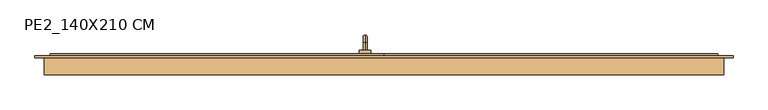
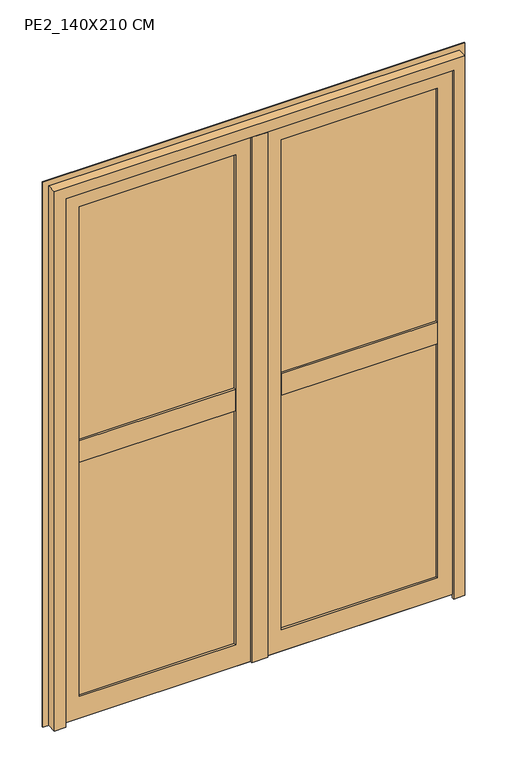
"""IFC4 building model written with IfcOpenShell, lengths in millimetres: door geometry, PE2_140X210 CM."""

from ifc_helpers import new_model, si_unit, point, frame, origin, place, context, project, spatial, polyline, circle_curve, ellipse_curve, trimmed, outline, extrude, faceted_brep, source, transform, mapped, element, save
from ifc_brep_helpers import plane_surface, cylinder_surface, revolved_surface, advanced_brep


def pe2_140x210_cm_47ec5a5a(model_context):
    return source(origin(), model_context, "Body", "SolidModel", [
        advanced_brep(
        [(-50.0, 169.0, 905.0), (-50.0, 188.0, 905.0), (-50.0, 188.0, 895.0), (-50.0, 169.0, 895.0), (-50.0, 209.0, 884.0), (-50.0, 199.0, 884.0), (-50.0, 209.0, 805.0), (-50.0, 199.0, 805.0), (-65.0, 169.0, 930.0), (-35.0, 169.0, 930.0), (-35.0, 169.0, 870.0), (-65.0, 169.0, 870.0), (-65.0, 159.0, 930.0), (-65.0, 159.0, 870.0), (-35.0, 159.0, 870.0), (-35.0, 159.0, 930.0)],
        [
            (0, 1),
            (1, 2, circle_curve(frame((-50.0, 188.0, 900.0), z_axis=(0.0, -1.0, 0.0), x_axis=(0.0, 0.0, -1.0)), 5.0)),
            (2, 3),
            (3, 0, circle_curve(frame((-50.0, 169.0, 900.0), z_axis=(0.0, 1.0, 0.0), x_axis=(0.0, 0.0, -1.0)), 5.0)),
            (0, 3, circle_curve(frame((-50.0, 169.0, 900.0), z_axis=(0.0, 1.0, 0.0), x_axis=(0.0, 0.0, -1.0)), 5.0)),
            (2, 1, circle_curve(frame((-50.0, 188.0, 900.0), z_axis=(0.0, -1.0, 0.0), x_axis=(0.0, 0.0, -1.0)), 5.0)),
            (1, 4, circle_curve(frame((-50.0, 188.0, 884.0), z_axis=(-1.0, 0.0, 0.0), x_axis=(0.0, 0.0, 1.0)), 21.0)),
            (4, 5, circle_curve(frame((-50.0, 204.0, 884.0), z_axis=(0.0, 0.0, 1.0), x_axis=(0.0, -1.0, 0.0)), 5.0)),
            (5, 2, circle_curve(frame((-50.0, 188.0, 884.0), z_axis=(1.0, 0.0, 0.0), x_axis=(0.0, 0.0, 1.0)), 11.0)),
            (5, 4, circle_curve(frame((-50.0, 204.0, 884.0), z_axis=(0.0, 0.0, 1.0), x_axis=(0.0, -1.0, 0.0)), 5.0)),
            (6, 7, circle_curve(frame((-50.0, 204.0, 805.0), z_axis=(0.0, 0.0, -1.0), x_axis=(0.0, -1.0, 0.0)), 5.0)),
            (7, 6, circle_curve(frame((-50.0, 204.0, 805.0), z_axis=(0.0, 0.0, -1.0), x_axis=(0.0, -1.0, 0.0)), 5.0)),
            (4, 6),
            (7, 5),
            (8, 9),
            (9, 10),
            (10, 11),
            (11, 8),
            (12, 13),
            (13, 14),
            (14, 15),
            (15, 12),
            (8, 12),
            (15, 9),
            (14, 10),
            (13, 11),
        ],
        [
            cylinder_surface(frame((-50.0, 169.0, 900.0), z_axis=(0.0, -1.0, 0.0), x_axis=(0.0, 0.0, -1.0)), 5.0),
            revolved_surface(trimmed(ellipse_curve(frame((-50.0, 188.0, 900.0), z_axis=(0.0, -1.0, 0.0), x_axis=(0.0, 0.0, -1.0)), 5.0, 5.0), [point((-50.0, 188.0, 905.0))], [point((-50.0, 188.0, 895.0))], True, "CARTESIAN"), (-50.0, 188.0, 884.0), (-1.0, 0.0, 0.0)),
            revolved_surface(trimmed(ellipse_curve(frame((-50.0, 188.0, 900.0), z_axis=(0.0, -1.0, 0.0), x_axis=(0.0, 0.0, -1.0)), 5.0, 5.0), [point((-50.0, 188.0, 895.0))], [point((-50.0, 188.0, 905.0))], True, "CARTESIAN"), (-50.0, 188.0, 884.0), (-1.0, 0.0, 0.0)),
            plane_surface(frame((-50.0, 204.0, 805.0), z_axis=(0.0, 0.0, -1.0), x_axis=(-1.0, 0.0, 0.0))),
            cylinder_surface(frame((-50.0, 204.0, 884.0), z_axis=(0.0, 0.0, 1.0), x_axis=(0.0, -1.0, 0.0)), 5.0),
            plane_surface(frame((-35.0, 169.0, 930.0), z_axis=(0.0, 1.0, 0.0), x_axis=(1.0, 0.0, 0.0))),
            plane_surface(frame((-35.0, 159.0, 930.0), z_axis=(0.0, -1.0, 0.0), x_axis=(-1.0, 0.0, 0.0))),
            plane_surface(frame((-65.0, 169.0, 930.0), z_axis=(0.0, 0.0, 1.0), x_axis=(0.0, -1.0, 0.0))),
            plane_surface(frame((-35.0, 169.0, 930.0), z_axis=(1.0, 0.0, 0.0), x_axis=(0.0, -1.0, 0.0))),
            plane_surface(frame((-35.0, 169.0, 870.0), z_axis=(0.0, 0.0, -1.0), x_axis=(0.0, -1.0, 0.0))),
            plane_surface(frame((-65.0, 169.0, 870.0), z_axis=(-1.0, 0.0, 0.0), x_axis=(0.0, -1.0, 0.0))),
        ],
        [
            (0, [[1, 2, 3, 4]]),
            (0, [[-1, 5, -3, 6]]),
            (1, [[-2, 7, 8, 9]]),
            (2, [[-6, -9, 10, -7]]),
            (3, [[11, 12]]),
            (4, [[-8, 13, -12, 14]]),
            (4, [[-10, -14, -11, -13]]),
            (5, [[15, 16, 17, 18], [-4, -5]]),
            (6, [[19, 20, 21, 22]]),
            (7, [[-15, 23, -22, 24]]),
            (8, [[-16, -24, -21, 25]]),
            (9, [[-17, -25, -20, 26]]),
            (10, [[-18, -26, -19, -23]]),
        ],
    ),
        extrude(outline(polyline([(149.0, 22.0), (149.0, 7.0), (144.0, 7.0), (144.0, 12.0), (129.0, 12.0), (129.0, 7.0), (124.0, 7.0), (124.0, 22.0), (149.0, 22.0)])), frame((0.0, 0.0, 0.0), z_axis=(1.0, 0.0, 0.0), x_axis=(0.0, 1.0, 0.0)), (0.0, 0.0, 1.0), 885.0),
        extrude(outline(polyline([(149.0, 22.0), (149.0, 7.0), (144.0, 7.0), (144.0, 12.0), (129.0, 12.0), (129.0, 7.0), (124.0, 7.0), (124.0, 22.0), (149.0, 22.0)])), frame((-885.0, 0.0, 0.0), z_axis=(1.0, 0.0, 0.0), x_axis=(0.0, 1.0, 0.0)), (0.0, 0.0, 1.0), 885.0),
        faceted_brep([(0.0, 114.0, 40.0), (0.0, 124.0, 40.0), (0.0, 124.0, 15.0), (0.0, 114.0, 15.0), (885.0, 114.0, 40.0), (885.0, 114.0, 15.0), (885.0, 124.0, 15.0), (885.0, 124.0, 40.0), (25.0, 114.0, 40.0), (25.0, 124.0, 40.0), (860.0, 124.0, 40.0), (860.0, 114.0, 40.0), (860.0, 114.0, 2460.0), (25.0, 114.0, 2460.0), (100.0, 114.0, 2385.0), (785.0, 114.0, 2385.0), (785.0, 114.0, 115.0), (100.0, 114.0, 115.0), (885.0, 149.0, 2485.0), (885.0, 159.0, 2485.0), (0.0, 159.0, 2485.0), (0.0, 149.0, 2485.0), (810.0, 159.0, 2410.0), (810.0, 124.0, 2410.0), (75.0, 124.0, 2410.0), (75.0, 159.0, 2410.0), (785.0, 124.0, 2385.0), (100.0, 124.0, 2385.0), (860.0, 149.0, 2460.0), (25.0, 149.0, 2460.0), (0.0, 159.0, 15.0), (0.0, 149.0, 15.0), (75.0, 124.0, 90.0), (75.0, 159.0, 90.0), (100.0, 124.0, 115.0), (25.0, 149.0, 40.0), (885.0, 159.0, 15.0), (885.0, 149.0, 15.0), (810.0, 124.0, 90.0), (810.0, 159.0, 90.0), (785.0, 124.0, 115.0), (860.0, 149.0, 40.0)], [[[0, 1, 2, 3]], [[4, 5, 6, 7]], [[1, 0, 8, 9]], [[4, 7, 10, 11]], [[2, 1, 9, 10, 7, 6]], [[3, 2, 6, 5]], [[0, 3, 5, 4, 11, 12, 13, 8], [14, 15, 16, 17]], [[18, 19, 20, 21]], [[22, 23, 24, 25]], [[26, 15, 14, 27]], [[12, 28, 29, 13]], [[21, 20, 30, 31]], [[25, 24, 32, 33]], [[27, 14, 17, 34]], [[13, 29, 35, 9, 8]], [[31, 30, 36, 37]], [[33, 32, 38, 39]], [[34, 17, 16, 40]], [[35, 41, 10, 9]], [[19, 18, 37, 36]], [[20, 19, 36, 30], [22, 25, 33, 39]], [[23, 22, 39, 38]], [[24, 23, 38, 32], [26, 27, 34, 40]], [[15, 26, 40, 16]], [[28, 12, 11, 10, 41]], [[18, 21, 31, 37], [29, 28, 41, 35]]]),
        faceted_brep([(-885.0, 159.0, 2485.0), (-885.0, 149.0, 2485.0), (0.0, 149.0, 2485.0), (0.0, 159.0, 2485.0), (-810.0, 124.0, 2410.0), (-810.0, 159.0, 2410.0), (-75.0, 159.0, 2410.0), (-75.0, 124.0, 2410.0), (-785.0, 114.0, 2385.0), (-785.0, 124.0, 2385.0), (-100.0, 124.0, 2385.0), (-100.0, 114.0, 2385.0), (-860.0, 149.0, 2460.0), (-860.0, 114.0, 2460.0), (-25.0, 114.0, 2460.0), (-25.0, 149.0, 2460.0), (0.0, 149.0, 15.0), (0.0, 159.0, 15.0), (-75.0, 159.0, 90.0), (-75.0, 124.0, 90.0), (-100.0, 124.0, 115.0), (-100.0, 114.0, 115.0), (-25.0, 114.0, 40.0), (-25.0, 124.0, 40.0), (-25.0, 149.0, 40.0), (-885.0, 149.0, 15.0), (-885.0, 159.0, 15.0), (-810.0, 159.0, 90.0), (-810.0, 124.0, 90.0), (-785.0, 124.0, 115.0), (-785.0, 114.0, 115.0), (-860.0, 149.0, 40.0), (-860.0, 124.0, 40.0), (-860.0, 114.0, 40.0), (-885.0, 114.0, 40.0), (-885.0, 114.0, 15.0), (0.0, 114.0, 15.0), (0.0, 114.0, 40.0), (0.0, 124.0, 15.0), (0.0, 124.0, 40.0), (-885.0, 124.0, 40.0), (-885.0, 124.0, 15.0)], [[[0, 1, 2, 3]], [[4, 5, 6, 7]], [[8, 9, 10, 11]], [[12, 13, 14, 15]], [[3, 2, 16, 17]], [[7, 6, 18, 19]], [[11, 10, 20, 21]], [[15, 14, 22, 23, 24]], [[17, 16, 25, 26]], [[19, 18, 27, 28]], [[21, 20, 29, 30]], [[31, 24, 23, 32]], [[1, 0, 26, 25]], [[0, 3, 17, 26], [6, 5, 27, 18]], [[5, 4, 28, 27]], [[4, 7, 19, 28], [10, 9, 29, 20]], [[9, 8, 30, 29]], [[14, 13, 33, 34, 35, 36, 37, 22], [8, 11, 21, 30]], [[13, 12, 31, 32, 33]], [[2, 1, 25, 16], [12, 15, 24, 31]], [[37, 36, 38, 39]], [[34, 40, 41, 35]], [[37, 39, 23, 22]], [[40, 34, 33, 32]], [[39, 38, 41, 40, 32, 23]], [[38, 36, 35, 41]]]),
        extrude(outline(polyline([(85.0, 124.0), (85.0, 138.0), (800.0, 138.0), (800.0, 124.0), (85.0, 124.0)])), frame((0.0, 0.0, 1285.0), z_axis=(0.0, 0.0, 1.0), x_axis=(1.0, 0.0, 0.0)), (0.0, 0.0, 1.0), 1115.0),
        extrude(outline(polyline([(85.0, 124.0), (85.0, 138.0), (800.0, 138.0), (800.0, 124.0), (85.0, 124.0)])), frame((0.0, 0.0, 100.0), z_axis=(0.0, 0.0, 1.0), x_axis=(1.0, 0.0, 0.0)), (0.0, 0.0, 1.0), 1115.0),
        extrude(outline(polyline([(-800.0, 124.0), (-800.0, 138.0), (-85.0, 138.0), (-85.0, 124.0), (-800.0, 124.0)])), frame((0.0, 0.0, 1285.0), z_axis=(0.0, 0.0, 1.0), x_axis=(1.0, 0.0, 0.0)), (0.0, 0.0, 1.0), 1115.0),
        extrude(outline(polyline([(-800.0, 124.0), (-800.0, 138.0), (-85.0, 138.0), (-85.0, 124.0), (-800.0, 124.0)])), frame((0.0, 0.0, 100.0), z_axis=(0.0, 0.0, 1.0), x_axis=(1.0, 0.0, 0.0)), (0.0, 0.0, 1.0), 1115.0),
        extrude(outline(polyline([(124.0, 1225.0), (124.0, 1200.0), (114.0, 1200.0), (114.0, 1300.0), (124.0, 1300.0), (124.0, 1275.0), (159.0, 1275.0), (159.0, 1225.0), (124.0, 1225.0)])), frame((100.0, 0.0, 0.0), z_axis=(1.0, 0.0, 0.0), x_axis=(0.0, 1.0, 0.0)), (0.0, 0.0, 1.0), 685.0),
        extrude(outline(polyline([(124.0, 1275.0), (159.0, 1275.0), (159.0, 1225.0), (124.0, 1225.0), (124.0, 1200.0), (114.0, 1200.0), (114.0, 1300.0), (124.0, 1300.0), (124.0, 1275.0)])), frame((-785.0, 0.0, 0.0), z_axis=(1.0, 0.0, 0.0), x_axis=(0.0, 1.0, 0.0)), (0.0, 0.0, 1.0), 685.0),
        extrude(outline(polyline([(-785.0, 138.0), (-785.0, 159.0), (-100.0, 159.0), (-100.0, 138.0), (-785.0, 138.0)])), frame((0.0, 0.0, 1275.0), z_axis=(0.0, 0.0, 1.0), x_axis=(1.0, 0.0, 0.0)), (0.0, 0.0, 1.0), 25.0),
        extrude(outline(polyline([(-785.0, 138.0), (-785.0, 159.0), (-100.0, 159.0), (-100.0, 138.0), (-785.0, 138.0)])), frame((0.0, 0.0, 1200.0), z_axis=(0.0, 0.0, 1.0), x_axis=(1.0, 0.0, 0.0)), (0.0, 0.0, 1.0), 25.0),
        extrude(outline(polyline([(100.0, 138.0), (100.0, 159.0), (785.0, 159.0), (785.0, 138.0), (100.0, 138.0)])), frame((0.0, 0.0, 1275.0), z_axis=(0.0, 0.0, 1.0), x_axis=(1.0, 0.0, 0.0)), (0.0, 0.0, 1.0), 25.0),
        extrude(outline(polyline([(100.0, 138.0), (100.0, 159.0), (785.0, 159.0), (785.0, 138.0), (100.0, 138.0)])), frame((0.0, 0.0, 1200.0), z_axis=(0.0, 0.0, 1.0), x_axis=(1.0, 0.0, 0.0)), (0.0, 0.0, 1.0), 25.0),
        extrude(outline(polyline([(2410.0, 75.0), (90.0, 75.0), (90.0, 810.0), (2410.0, 810.0), (2410.0, 75.0)]), holes=[polyline([(2385.0, 785.0), (115.0, 785.0), (115.0, 100.0), (2385.0, 100.0), (2385.0, 785.0)])]), frame((0.0, 138.0, 0.0), z_axis=(0.0, 1.0, 0.0), x_axis=(0.0, 0.0, 1.0)), (0.0, 0.0, 1.0), 21.0),
        faceted_brep([(25.0, 149.0, 2485.0), (-10.0, 149.0, 2485.0), (-10.0, 114.0, 2485.0), (25.0, 114.0, 2485.0), (25.0, 149.0, 15.0), (-10.0, 149.0, 15.0), (-10.0, 114.0, 15.0), (-10.0, 114.0, 2450.0), (25.0, 114.0, 2450.0), (25.0, 114.0, 15.0), (35.0, 104.0, 2450.0), (35.0, 114.0, 2450.0), (-35.0, 114.0, 2450.0), (-35.0, 104.0, 2450.0), (35.0, 104.0, 15.0), (-35.0, 104.0, 15.0), (-35.0, 114.0, 15.0), (35.0, 114.0, 15.0)], [[[0, 1, 2, 3]], [[1, 0, 4, 5]], [[2, 1, 5, 6, 7]], [[3, 2, 7, 8]], [[4, 0, 3, 8, 9]], [[10, 11, 8, 7, 12, 13]], [[14, 15, 16, 6, 5, 4, 9, 17]], [[11, 10, 14, 17]], [[8, 11, 17, 9]], [[12, 7, 6, 16]], [[13, 12, 16, 15]], [[10, 13, 15, 14]]]),
        extrude(outline(polyline([(2410.0, -810.0), (90.0, -810.0), (90.0, -75.0), (2410.0, -75.0), (2410.0, -810.0)]), holes=[polyline([(2385.0, -100.0), (115.0, -100.0), (115.0, -785.0), (2385.0, -785.0), (2385.0, -100.0)])]), frame((0.0, 138.0, 0.0), z_axis=(0.0, 1.0, 0.0), x_axis=(0.0, 0.0, 1.0)), (0.0, 0.0, 1.0), 21.0),
        faceted_brep([(-900.0, 104.0, 0.0), (-900.0, 149.0, 0.0), (-875.0, 149.0, 0.0), (-875.0, 114.0, 0.0), (-850.0, 114.0, 0.0), (-850.0, 104.0, 0.0), (-900.0, 149.0, 2500.0), (-900.0, 104.0, 2500.0), (900.0, 104.0, 2500.0), (900.0, 149.0, 2500.0), (-875.0, 114.0, 2475.0), (-875.0, 149.0, 2475.0), (875.0, 149.0, 2475.0), (875.0, 114.0, 2475.0), (-850.0, 104.0, 2450.0), (-850.0, 114.0, 2450.0), (850.0, 114.0, 2450.0), (850.0, 104.0, 2450.0), (900.0, 104.0, 0.0), (900.0, 149.0, 0.0), (875.0, 149.0, 0.0), (875.0, 114.0, 0.0), (850.0, 114.0, 0.0), (850.0, 104.0, 0.0)], [[[0, 1, 2, 3, 4, 5]], [[6, 7, 8, 9]], [[10, 11, 12, 13]], [[14, 15, 16, 17]], [[9, 8, 18, 19]], [[13, 12, 20, 21]], [[17, 16, 22, 23]], [[18, 23, 22, 21, 20, 19]], [[1, 0, 7, 6]], [[2, 1, 6, 9, 19, 20, 12, 11]], [[3, 2, 11, 10]], [[4, 3, 10, 13, 21, 22, 16, 15]], [[5, 4, 15, 14]], [[0, 5, 14, 17, 23, 18, 8, 7]]]),
        extrude(outline(polyline([(0.0, -925.0), (0.0, -890.0), (2490.0, -890.0), (2490.0, 890.0), (0.0, 890.0), (0.0, 925.0), (2525.0, 925.0), (2525.0, -925.0), (0.0, -925.0)])), frame((0.0, 149.0, 0.0), z_axis=(0.0, 1.0, 0.0), x_axis=(0.0, 0.0, 1.0)), (0.0, 0.0, 1.0), 5.0),
    ])


if __name__ == "__main__":
    model = new_model("IFC4")
    model_context = context("Model", 3, world=origin())
    ifc_project = project(units=[si_unit("LENGTHUNIT", "METRE", prefix="MILLI")], contexts=[model_context])
    site = spatial("IfcSite", under=ifc_project)
    building = spatial("IfcBuilding", under=site)
    placement = place(None, origin())
    pe2_140x210_cm_shape = pe2_140x210_cm_47ec5a5a(model_context)
    element("IfcDoor", 1, ObjectType="PE2_140X210 CM", at=placement, inside=building, context=model_context, shape_type="MappedRepresentation", body=[
        mapped(pe2_140x210_cm_shape, transform((0.0, 0.0, 0.0), x_axis=(1.0, 0.0, 0.0), y_axis=(0.0, 1.0, 0.0), z_axis=(0.0, 0.0, 1.0))),
    ])
    save(model, "model.ifc")
